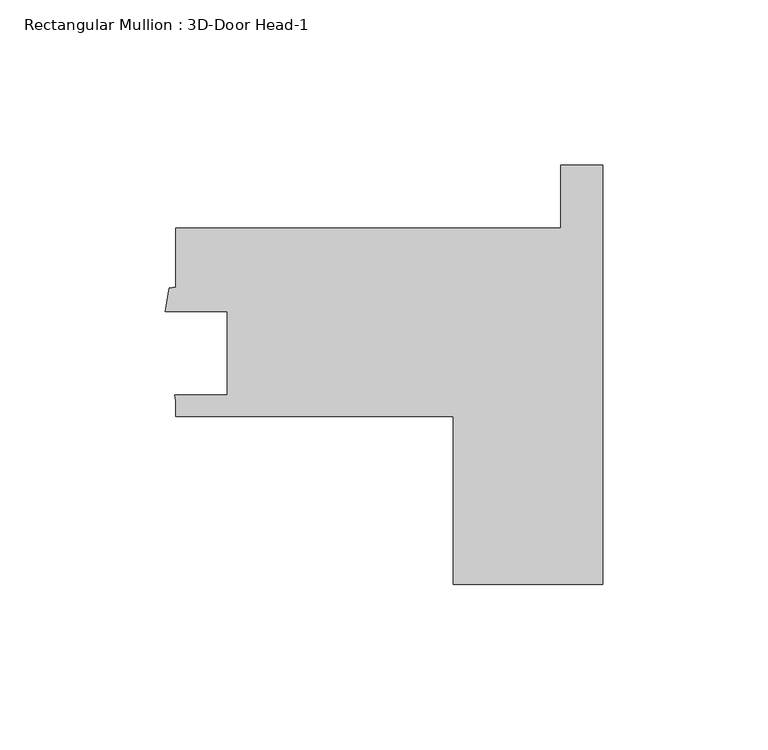
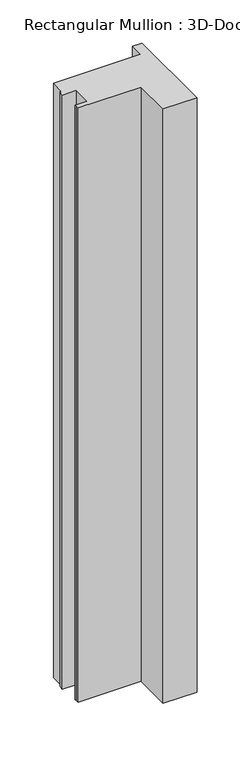
"""IFC4 building model written with IfcOpenShell, lengths in millimetres: member geometry, Rectangular Mullion : 3D-Door Head-1."""

from ifc_helpers import new_model, si_unit, frame, origin, place, context, project, spatial, polyline, outline, extrude, source, transform, mapped, element, save


def rectangular_mullion_3d_door_head_1_559df1e3(model_context):
    return source(origin(), model_context, "Body", "SweptSolid", [
        extrude(outline(polyline([(-45.2374, -73.0231845), (-45.2374, -22.2268155), (-129.38125, -22.2268155), (-129.38125, -17.5222596), (-129.6984957, -15.6610186), (-113.7602501, -15.6610186), (-113.7602501, 9.5231845), (-132.5417122, 9.5231845), (-131.2227501, 16.6795542), (-129.3812501, 17.0042603), (-129.3812501, 34.9231845), (-12.7, 34.9231845), (-12.7, 53.9731845), (0.0, 53.9731845), (0.0, -73.0231845), (-45.2374, -73.0231845)])), frame((0.0, 0.0, -840.4259192), z_axis=(0.0, 0.0, 1.0), x_axis=(1.0, 0.0, 0.0)), (0.0, 0.0, 1.0), 840.4259192),
    ])


if __name__ == "__main__":
    model = new_model("IFC4")
    model_context = context("Model", 3, world=origin())
    ifc_project = project(units=[si_unit("LENGTHUNIT", "METRE", prefix="MILLI")], contexts=[model_context])
    site = spatial("IfcSite", under=ifc_project)
    building = spatial("IfcBuilding", under=site)
    placement = place(None, origin())
    rectangular_mullion_3d_door_head_1_shape = rectangular_mullion_3d_door_head_1_559df1e3(model_context)
    element("IfcMember", 1, ObjectType="Rectangular Mullion : 3D-Door Head-1", at=placement, inside=building, context=model_context, shape_type="MappedRepresentation", body=[
        mapped(rectangular_mullion_3d_door_head_1_shape, transform((0.0, 0.0, 0.0), x_axis=(1.0, 0.0, 0.0), y_axis=(0.0, 1.0, 0.0), z_axis=(0.0, 0.0, 1.0))),
    ])
    save(model, "model.ifc")
